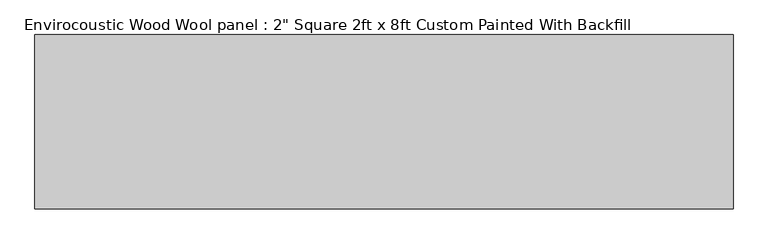
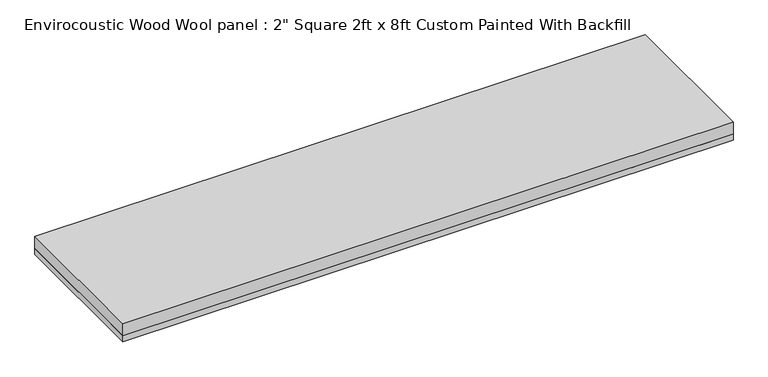
"""IFC4 building model written with IfcOpenShell, lengths in millimetres: proxy geometry."""

from ifc_helpers import new_model, si_unit, frame, origin, origin_with_axes, place, context, project, spatial, polyline, outline, extrude, source, transform, mapped, element, save


def proxy_9a986a20(model_context):
    return source(origin(), model_context, "Body", "SweptSolid", [
        extrude(outline(polyline([(1219.2, 304.8), (1219.2, -304.8), (-1219.2, -304.8), (-1219.2, 304.8), (1219.2, 304.8)])), origin_with_axes(), (0.0, 0.0, 1.0), 25.4),
        extrude(outline(polyline([(-1219.2, 304.8), (1219.2, 304.8), (1219.2, -304.8), (-1219.2, -304.8), (-1219.2, 304.8)])), frame((0.0, 0.0, 25.4), z_axis=(0.0, 0.0, 1.0), x_axis=(1.0, 0.0, 0.0)), (0.0, 0.0, 1.0), 50.8),
    ])


if __name__ == "__main__":
    model = new_model("IFC4")
    model_context = context("Model", 3, world=origin())
    ifc_project = project(units=[si_unit("LENGTHUNIT", "METRE", prefix="MILLI")], contexts=[model_context])
    site = spatial("IfcSite", under=ifc_project)
    building = spatial("IfcBuilding", under=site)
    placement = place(None, origin())
    proxy_shape = proxy_9a986a20(model_context)
    element("IfcBuildingElementProxy", 1, Name="Envirocoustic Wood Wool panel : 2\" Square 2ft x 8ft Custom Painted With Backfill", ObjectType="Envirocoustic Wood Wool panel : 2\" Square 2ft x 8ft Custom Painted With Backfill", at=placement, inside=building, context=model_context, shape_type="MappedRepresentation", body=[
        mapped(proxy_shape, transform((0.0, 0.0, 0.0), x_axis=(1.0, 0.0, 0.0), y_axis=(0.0, 1.0, 0.0), z_axis=(0.0, 0.0, 1.0))),
    ])
    save(model, "model.ifc")
